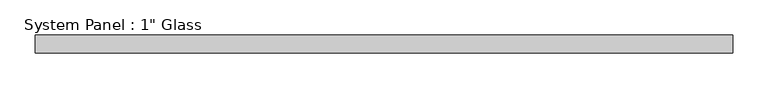
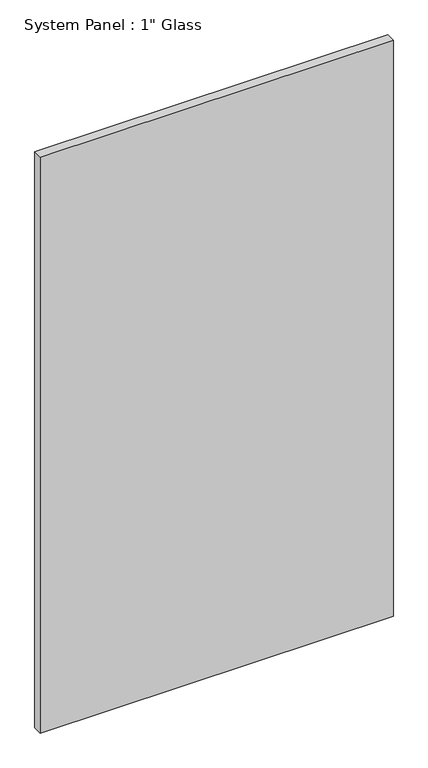
"""IFC4 building model written with IfcOpenShell, lengths in millimetres: plate geometry."""

from ifc_helpers import new_model, si_unit, origin, origin_with_axes, place, context, project, spatial, polyline, outline, extrude, source, transform, mapped, element, save


def plate_62ee4257(model_context):
    return source(origin(), model_context, "Body", "SweptSolid", [
        extrude(outline(polyline([(491.9509746, -12.7), (-491.9509746, -12.7), (-491.9509746, 12.7), (491.9509746, 12.7), (491.9509746, -12.7)])), origin_with_axes(), (0.0, 0.0, 1.0), 1695.45),
    ])


if __name__ == "__main__":
    model = new_model("IFC4")
    model_context = context("Model", 3, world=origin())
    ifc_project = project(units=[si_unit("LENGTHUNIT", "METRE", prefix="MILLI")], contexts=[model_context])
    site = spatial("IfcSite", under=ifc_project)
    building = spatial("IfcBuilding", under=site)
    placement = place(None, origin())
    plate_shape = plate_62ee4257(model_context)
    element("IfcPlate", 1, ObjectType="System Panel : 1\" Glass", at=placement, inside=building, context=model_context, shape_type="MappedRepresentation", body=[
        mapped(plate_shape, transform((0.0, 0.0, 0.0), x_axis=(1.0, 0.0, 0.0), y_axis=(0.0, 1.0, 0.0), z_axis=(0.0, 0.0, 1.0))),
    ])
    save(model, "model.ifc")
